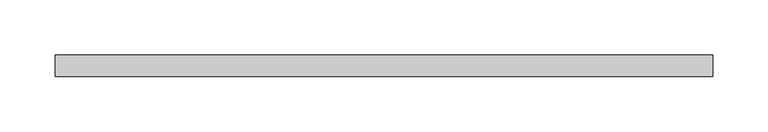
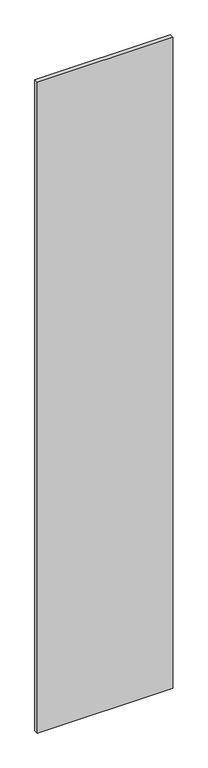
"""IFC4 building model written with IfcOpenShell, lengths in millimetres: proxy geometry."""

from ifc_helpers import new_model, si_unit, frame, origin, place, context, project, spatial, polyline, outline, extrude, source, transform, mapped, element, save


def specialty_equipment_7e1f81e2(model_context):
    return source(origin(), model_context, "Body", "SweptSolid", [
        extrude(outline(polyline([(296.5704, -9.525), (-296.5704, -9.525), (-296.5704, 9.525), (296.5704, 9.525), (296.5704, -9.525)])), frame((0.0, 0.0, 3.175), z_axis=(0.0, 0.0, 1.0), x_axis=(1.0, 0.0, 0.0)), (0.0, 0.0, 1.0), 3013.075),
    ])


if __name__ == "__main__":
    model = new_model("IFC4")
    model_context = context("Model", 3, world=origin())
    ifc_project = project(units=[si_unit("LENGTHUNIT", "METRE", prefix="MILLI")], contexts=[model_context])
    site = spatial("IfcSite", under=ifc_project)
    building = spatial("IfcBuilding", under=site)
    placement = place(None, origin())
    specialty_equipment_shape = specialty_equipment_7e1f81e2(model_context)
    element("IfcBuildingElementProxy", 1, Name="Specialty Equipment", at=placement, inside=building, context=model_context, shape_type="MappedRepresentation", body=[
        mapped(specialty_equipment_shape, transform((0.0, 0.0, 0.0), x_axis=(1.0, 0.0, 0.0), y_axis=(0.0, 1.0, 0.0), z_axis=(0.0, 0.0, 1.0))),
    ])
    save(model, "model.ifc")
